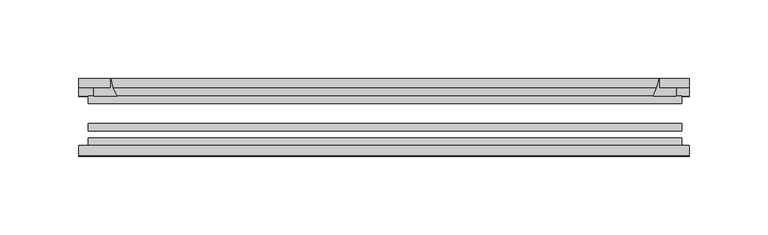
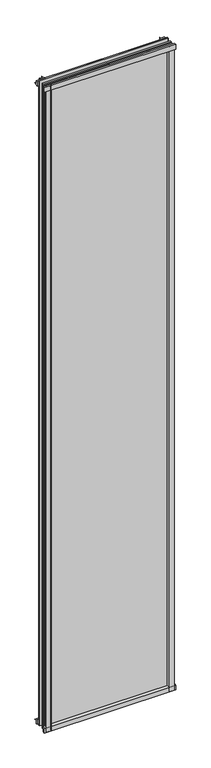
"""IFC4 building model written with IfcOpenShell, lengths in millimetres: plate geometry."""

from ifc_helpers import new_model, si_unit, point, frame, frame_2d, origin, place, context, project, spatial, polyline, circle_curve, trimmed, segment, composite_curve, outline, extrude, source, transform, mapped, element, save


def plate_b60181a0(model_context):
    return source(origin(), model_context, "Body", "SweptSolid", [
        extrude(outline(composite_curve([segment(polyline([(-85.1328625, 1995.5063002), (-78.7828625, 1995.5063002), (-78.7828625, 1979.2561909)]), True, "CONTINUOUS"), segment(trimmed(circle_curve(frame_2d((-85.0581856, 1970.2064356)), 11.0126179), [point((-78.7828625, 1979.2561909))], [point((-85.1328625, 1981.2188002))], True, "CARTESIAN"), True, "CONTINUOUS"), segment(polyline([(-85.1328625, 1981.2188002), (-85.1328625, 1995.5063002)]), True, "CONTINUOUS")], self_intersect=False)), frame((-193.8442461, 0.0, 0.0), z_axis=(1.0, 0.0, 0.0), x_axis=(0.0, 1.0, 0.0)), (0.0, 0.0, 1.0), 386.4978672),
        extrude(outline(composite_curve([segment(polyline([(-188.0895586, -78.7828625), (-171.228343, -78.7828625)]), True, "CONTINUOUS"), segment(trimmed(circle_curve(frame_2d((-160.6659395, -86.7604812)), 13.2365693), [point((-171.228343, -78.7828625))], [point((-173.8020586, -85.1328625))], True, "CARTESIAN"), True, "CONTINUOUS"), segment(polyline([(-173.8020586, -85.1328625), (-188.0895586, -85.1328625), (-188.0895586, -78.7828625)]), True, "CONTINUOUS")], self_intersect=False)), frame((0.0, 0.0, -14.2875), z_axis=(0.0, 0.0, 1.0), x_axis=(1.0, 0.0, 0.0)), (0.0, 0.0, 1.0), 2009.775),
        extrude(outline(composite_curve([segment(polyline([(188.0895586, -78.7828625), (188.0895586, -85.1328625), (173.8020586, -85.1328625)]), True, "CONTINUOUS"), segment(trimmed(circle_curve(frame_2d((160.6659395, -86.7604812)), 13.2365693), [point((173.8020586, -85.1328625))], [point((171.228343, -78.7828625))], True, "CARTESIAN"), True, "CONTINUOUS"), segment(polyline([(171.228343, -78.7828625), (188.0895586, -78.7828625)]), True, "CONTINUOUS")], self_intersect=False)), frame((0.0, 0.0, -14.2875), z_axis=(0.0, 0.0, 1.0), x_axis=(1.0, 0.0, 0.0)), (0.0, 0.0, 1.0), 2009.775),
        extrude(outline(composite_curve([segment(polyline([(-47.1852625, -10.4712201), (-47.1852625, 3.9588469)]), True, "CONTINUOUS"), segment(trimmed(circle_curve(frame_2d((-30.6824422, 32.267054)), 32.7673262), [point((-47.1852625, 3.9588469))], [point((-36.3503395, -0.00635))], True, "CARTESIAN"), True, "CONTINUOUS"), segment(polyline([(-36.3503395, -0.00635), (-42.2830625, -0.00635), (-42.2830625, -10.4712201), (-47.1852625, -10.4712201)]), True, "CONTINUOUS")], self_intersect=False)), frame((-193.8442461, 0.0, 0.0), z_axis=(1.0, 0.0, 0.0), x_axis=(0.0, 1.0, 0.0)), (0.0, 0.0, 1.0), 386.4978672),
        extrude(outline(composite_curve([segment(polyline([(-78.7828625, -14.2875), (-85.1328625, -14.2875), (-85.1328625, -0.0127)]), True, "CONTINUOUS"), segment(trimmed(circle_curve(frame_2d((-86.7604812, 13.1234191)), 13.2365693), [point((-85.1328625, -0.0127))], [point((-78.7828625, 2.5610156))], True, "CARTESIAN"), True, "CONTINUOUS"), segment(polyline([(-78.7828625, 2.5610156), (-78.7828625, -14.2875)]), True, "CONTINUOUS")], self_intersect=False)), frame((-193.8442461, 0.0, 0.0), z_axis=(1.0, 0.0, 0.0), x_axis=(0.0, 1.0, 0.0)), (0.0, 0.0, 1.0), 386.4978672),
        extrude(outline(composite_curve([segment(polyline([(-47.1852625, 1977.2284531), (-47.1852625, 1991.9002564), (-42.2830625, 1991.9002564), (-42.2830625, 1981.2), (-36.3140625, 1981.2)]), True, "CONTINUOUS"), segment(trimmed(circle_curve(frame_2d((-30.6824422, 1948.920246)), 32.7673262), [point((-36.3140625, 1981.2))], [point((-47.1852625, 1977.2284531))], True, "CARTESIAN"), True, "CONTINUOUS")], self_intersect=False)), frame((-193.8442461, 0.0, 0.0), z_axis=(1.0, 0.0, 0.0), x_axis=(0.0, 1.0, 0.0)), (0.0, 0.0, 1.0), 386.4978672),
        extrude(outline(composite_curve([segment(trimmed(circle_curve(frame_2d((141.5223046, -30.6824422)), 32.7673262), [point((169.8305117, -47.1852625))], [point((173.8020586, -36.3140625))], True, "CARTESIAN"), True, "CONTINUOUS"), segment(polyline([(173.8020586, -36.3140625), (173.8020586, -42.2830625), (184.502424, -42.2830625), (184.502424, -47.1852625), (169.8305117, -47.1852625)]), True, "CONTINUOUS")], self_intersect=False)), frame((0.0, 0.0, -14.2875), z_axis=(0.0, 0.0, 1.0), x_axis=(1.0, 0.0, 0.0)), (0.0, 0.0, 1.0), 2009.775),
        extrude(outline(composite_curve([segment(polyline([(-169.8305117, -47.1852625), (-184.4972678, -47.1852625), (-184.4972678, -42.2830625), (-173.8020586, -42.2830625), (-173.8020586, -36.3140625)]), True, "CONTINUOUS"), segment(trimmed(circle_curve(frame_2d((-141.5223046, -30.6824422)), 32.7673262), [point((-173.8020586, -36.3140625))], [point((-169.8305117, -47.1852625))], True, "CARTESIAN"), True, "CONTINUOUS")], self_intersect=False)), frame((0.0, 0.0, -14.2875), z_axis=(0.0, 0.0, 1.0), x_axis=(1.0, 0.0, 0.0)), (0.0, 0.0, 1.0), 2009.775),
        extrude(outline(polyline([(188.0895586, -64.6604625), (188.0895586, -69.4356625), (-188.0895586, -69.4356625), (-188.0895586, -64.6604625), (188.0895586, -64.6604625)])), frame((0.0, 0.0, -14.2875), z_axis=(0.0, 0.0, 1.0), x_axis=(1.0, 0.0, 0.0)), (0.0, 0.0, 1.0), 2009.775),
        extrude(outline(polyline([(-188.0895586, -78.7828625), (-188.0895586, -74.0076625), (188.0895586, -74.0076625), (188.0895586, -78.7828625), (-188.0895586, -78.7828625)])), frame((0.0, 0.0, -14.2875), z_axis=(0.0, 0.0, 1.0), x_axis=(1.0, 0.0, 0.0)), (0.0, 0.0, 1.0), 2009.775),
        extrude(outline(polyline([(-188.0895586, -47.1852625), (188.0895586, -47.1852625), (188.0895586, -51.9604625), (-188.0895586, -51.9604625), (-188.0895586, -47.1852625)])), frame((0.0, 0.0, -14.2875), z_axis=(0.0, 0.0, 1.0), x_axis=(1.0, 0.0, 0.0)), (0.0, 0.0, 1.0), 2009.775),
    ])


if __name__ == "__main__":
    model = new_model("IFC4")
    model_context = context("Model", 3, world=origin())
    ifc_project = project(units=[si_unit("LENGTHUNIT", "METRE", prefix="MILLI")], contexts=[model_context])
    site = spatial("IfcSite", under=ifc_project)
    building = spatial("IfcBuilding", under=site)
    placement = place(None, origin())
    plate_shape = plate_b60181a0(model_context)
    element("IfcPlate", 1, at=placement, inside=building, context=model_context, shape_type="MappedRepresentation", body=[
        mapped(plate_shape, transform((0.0, 0.0, 0.0), x_axis=(1.0, 0.0, 0.0), y_axis=(0.0, 1.0, 0.0), z_axis=(0.0, 0.0, 1.0))),
    ])
    save(model, "model.ifc")
